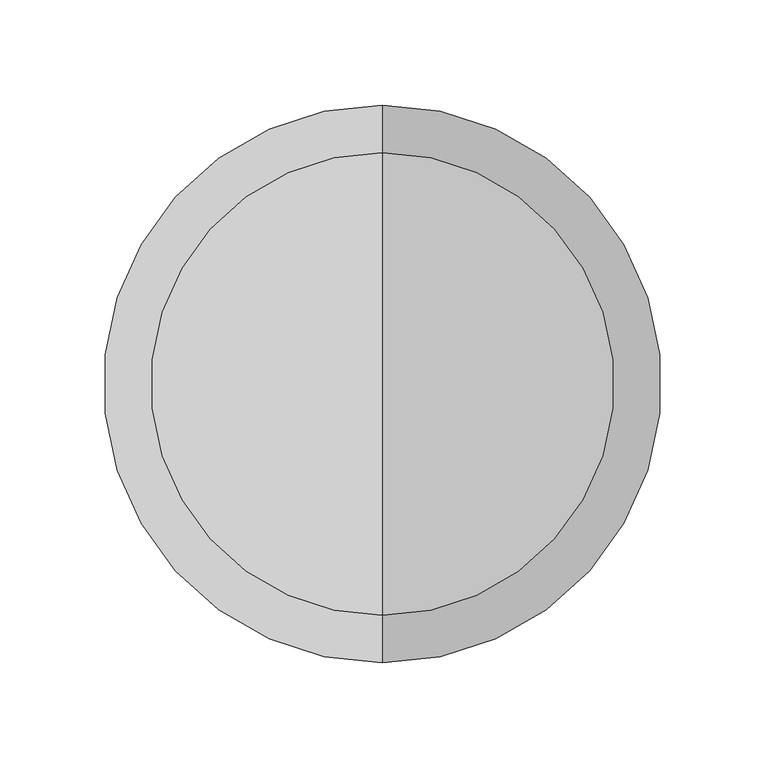
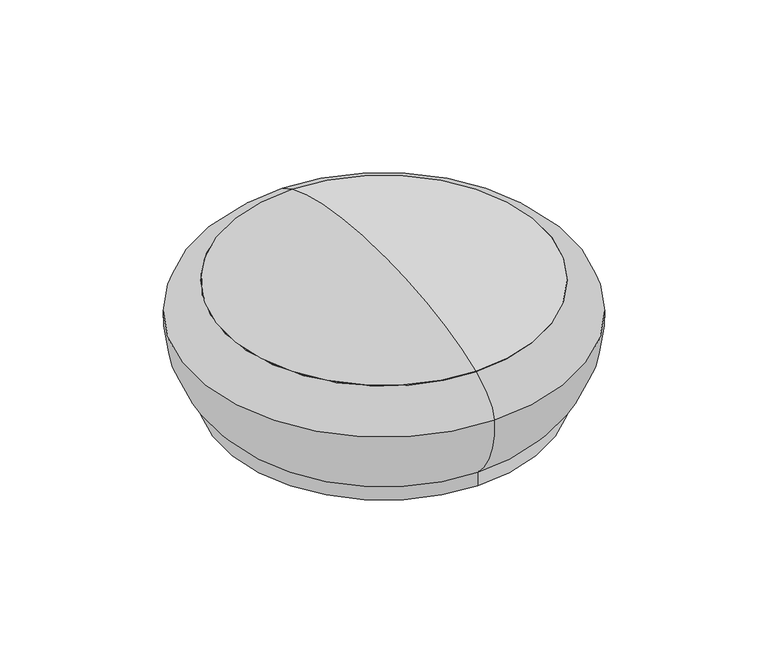
"""IFC4 building model written with IfcOpenShell, lengths in millimetres: light fixture geometry."""

from ifc_helpers import new_model, si_unit, point, frame, origin, place, context, project, spatial, polyline, circle_curve, ellipse_curve, trimmed, source, transform, mapped, element, save
from ifc_brep_helpers import plane_surface, cylinder_surface, revolved_surface, advanced_brep


def light_fixture_51e13bbc(model_context):
    return source(origin(), model_context, "Body", "AdvancedBrep", [
        advanced_brep(
        [(0.0, 0.0, 100.0), (0.0, 110.0, 82.2993007), (0.0, -110.0, 82.2993007), (0.0, -110.0, 72.2993007), (0.0, 110.0, 72.2993007), (0.0, 0.0, 72.2993007)],
        [
            (0, 1, ellipse_curve(frame((0.0, 0.0, 60.0), z_axis=(-1.0, 0.0, 0.0), x_axis=(0.0, 1.0, 0.0)), 132.5, 40.0)),
            (1, 2, circle_curve(frame((0.0, 0.0, 82.2993007), z_axis=(0.0, 0.0, 1.0), x_axis=(0.0, 1.0, 0.0)), 110.0)),
            (2, 0, ellipse_curve(frame((0.0, 0.0, 60.0), z_axis=(-1.0, 0.0, 0.0), x_axis=(0.0, -1.0, 0.0)), 132.5, 40.0)),
            (2, 1, circle_curve(frame((0.0, 0.0, 82.2993007), z_axis=(0.0, 0.0, 1.0), x_axis=(0.0, 1.0, 0.0)), 110.0)),
            (3, 4, circle_curve(frame((0.0, 0.0, 72.2993007), z_axis=(0.0, 0.0, -1.0), x_axis=(0.0, 1.0, 0.0)), 110.0)),
            (4, 5),
            (5, 3),
            (4, 3, circle_curve(frame((0.0, 0.0, 72.2993007), z_axis=(0.0, 0.0, -1.0), x_axis=(0.0, 1.0, 0.0)), 110.0)),
            (1, 4),
            (3, 2),
        ],
        [
            revolved_surface(trimmed(ellipse_curve(frame((0.0, 0.0, 60.0), z_axis=(1.0, 0.0, 0.0), x_axis=(0.0, 0.0, -1.0)), 40.0, 132.5), [point((0.0, 110.0, 82.2993007))], [point((0.0, 0.0, 100.0))], True, "CARTESIAN"), (0.0, 0.0, 10.0), (0.0, 0.0, 1.0)),
            plane_surface(frame((0.0, 0.0, 72.2993007), z_axis=(0.0, 0.0, -1.0), x_axis=(0.0, 1.0, 0.0))),
            cylinder_surface(frame((0.0, 0.0, 10.0), z_axis=(0.0, 0.0, 1.0), x_axis=(0.0, 1.0, 0.0)), 110.0),
        ],
        [
            (0, [[1, 2, 3]]),
            (0, [[-3, 4, -1]]),
            (1, [[5, 6, 7]]),
            (1, [[8, -7, -6]]),
            (2, [[-2, 9, -5, 10]]),
            (2, [[-4, -10, -8, -9]]),
        ],
    ),
        advanced_brep(
        [(0.0, -132.5, 60.0), (0.0, 132.5, 60.0), (0.0, 112.5, 9.705249), (0.0, -112.5, 9.705249), (0.0, -110.0, 82.2993007), (0.0, 110.0, 82.2993007), (0.0, -112.5, 0.0), (0.0, 112.5, 0.0), (0.0, 0.0, 0.0), (0.0, -110.0, 72.2993007), (0.0, 110.0, 72.2993007), (0.0, 0.0, 72.2993007)],
        [
            (0, 1, circle_curve(frame((0.0, 0.0, 60.0), z_axis=(0.0, 0.0, -1.0), x_axis=(0.0, 1.0, 0.0)), 132.5)),
            (1, 2, circle_curve(frame((0.0, 67.5843241, 56.6901621), z_axis=(-1.0, 0.0, 0.0), x_axis=(0.0, -1.0, 0.0)), 65.0)),
            (2, 3, circle_curve(frame((0.0, 0.0, 9.705249), z_axis=(0.0, 0.0, 1.0), x_axis=(0.0, 1.0, 0.0)), 112.5)),
            (3, 0, circle_curve(frame((0.0, -67.5843241, 56.6901621), z_axis=(-1.0, 0.0, 0.0), x_axis=(0.0, 1.0, 0.0)), 65.0)),
            (1, 0, circle_curve(frame((0.0, 0.0, 60.0), z_axis=(0.0, 0.0, -1.0), x_axis=(0.0, 1.0, 0.0)), 132.5)),
            (3, 2, circle_curve(frame((0.0, 0.0, 9.705249), z_axis=(0.0, 0.0, 1.0), x_axis=(0.0, 1.0, 0.0)), 112.5)),
            (4, 5, circle_curve(frame((0.0, 0.0, 82.2993007), z_axis=(0.0, 0.0, -1.0), x_axis=(0.0, 1.0, 0.0)), 110.0)),
            (5, 1, ellipse_curve(frame((0.0, 0.0, 60.0), z_axis=(-1.0, 0.0, 0.0), x_axis=(0.0, 1.0, 0.0)), 132.5, 40.0)),
            (0, 4, ellipse_curve(frame((0.0, 0.0, 60.0), z_axis=(-1.0, 0.0, 0.0), x_axis=(0.0, -1.0, 0.0)), 132.5, 40.0)),
            (5, 4, circle_curve(frame((0.0, 0.0, 82.2993007), z_axis=(0.0, 0.0, -1.0), x_axis=(0.0, 1.0, 0.0)), 110.0)),
            (6, 7, circle_curve(frame((0.0, 0.0, 0.0), z_axis=(0.0, 0.0, -1.0), x_axis=(0.0, 1.0, 0.0)), 112.5)),
            (7, 8),
            (8, 6),
            (7, 6, circle_curve(frame((0.0, 0.0, 0.0), z_axis=(0.0, 0.0, -1.0), x_axis=(0.0, 1.0, 0.0)), 112.5)),
            (2, 7),
            (6, 3),
            (9, 10, circle_curve(frame((0.0, 0.0, 72.2993007), z_axis=(0.0, 0.0, -1.0), x_axis=(0.0, 1.0, 0.0)), 110.0)),
            (10, 5),
            (4, 9),
            (10, 9, circle_curve(frame((0.0, 0.0, 72.2993007), z_axis=(0.0, 0.0, -1.0), x_axis=(0.0, 1.0, 0.0)), 110.0)),
            (11, 10),
            (9, 11),
        ],
        [
            revolved_surface(trimmed(ellipse_curve(frame((0.0, 67.5843241, 56.6901621), z_axis=(1.0, 0.0, 0.0), x_axis=(0.0, -1.0, 0.0)), 65.0, 65.0), [point((0.0, 112.5, 9.705249))], [point((0.0, 132.5, 60.0))], True, "CARTESIAN"), (0.0, 0.0, -45.0), (0.0, 0.0, 1.0)),
            revolved_surface(trimmed(ellipse_curve(frame((0.0, 0.0, 60.0), z_axis=(1.0, 0.0, 0.0), x_axis=(0.0, 0.0, -1.0)), 40.0, 132.5), [point((0.0, 132.5, 60.0))], [point((0.0, 110.0, 82.2993007))], True, "CARTESIAN"), (0.0, 0.0, -45.0), (0.0, 0.0, 1.0)),
            plane_surface(frame((0.0, 0.0, 0.0), z_axis=(0.0, 0.0, -1.0), x_axis=(0.0, 1.0, 0.0))),
            cylinder_surface(frame((0.0, 0.0, -45.0), z_axis=(0.0, 0.0, 1.0), x_axis=(0.0, 1.0, 0.0)), 112.5),
            revolved_surface(polyline([(0.0, 110.0, 82.2993007), (0.0, 110.0, 72.2993007)]), (0.0, 0.0, -45.0), (0.0, 0.0, 1.0)),
            plane_surface(frame((0.0, 0.0, 72.2993007), z_axis=(0.0, 0.0, 1.0), x_axis=(0.0, 1.0, 0.0))),
        ],
        [
            (0, [[1, 2, 3, 4]]),
            (0, [[5, -4, 6, -2]]),
            (1, [[7, 8, -1, 9]]),
            (1, [[10, -9, -5, -8]]),
            (2, [[11, 12, 13]]),
            (2, [[14, -13, -12]]),
            (3, [[-3, 15, -11, 16]]),
            (3, [[-6, -16, -14, -15]]),
            (4, [[17, 18, -7, 19]]),
            (4, [[20, -19, -10, -18]]),
            (5, [[21, -17, 22]]),
            (5, [[-22, -20, -21]]),
        ],
    ),
    ])


if __name__ == "__main__":
    model = new_model("IFC4")
    model_context = context("Model", 3, world=origin())
    ifc_project = project(units=[si_unit("LENGTHUNIT", "METRE", prefix="MILLI")], contexts=[model_context])
    site = spatial("IfcSite", under=ifc_project)
    building = spatial("IfcBuilding", under=site)
    placement = place(None, origin())
    light_fixture_shape = light_fixture_51e13bbc(model_context)
    element("IfcLightFixture", 1, at=placement, inside=building, context=model_context, shape_type="MappedRepresentation", body=[
        mapped(light_fixture_shape, transform((0.0, 0.0, 0.0), x_axis=(1.0, 0.0, 0.0), y_axis=(0.0, 1.0, 0.0), z_axis=(0.0, 0.0, 1.0))),
    ])
    save(model, "model.ifc")
